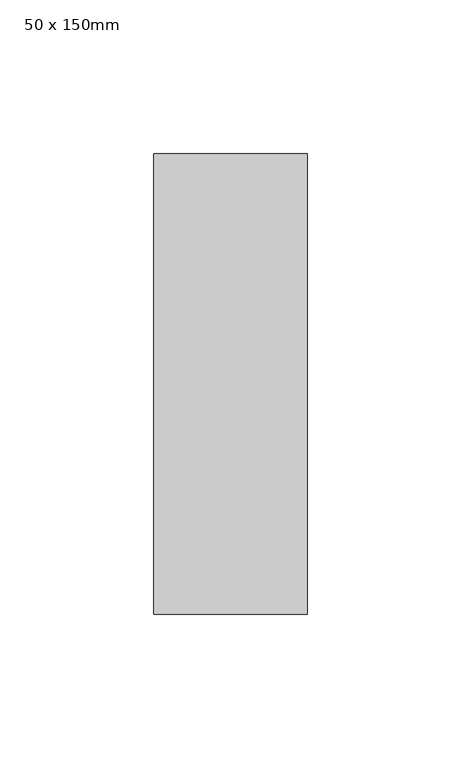
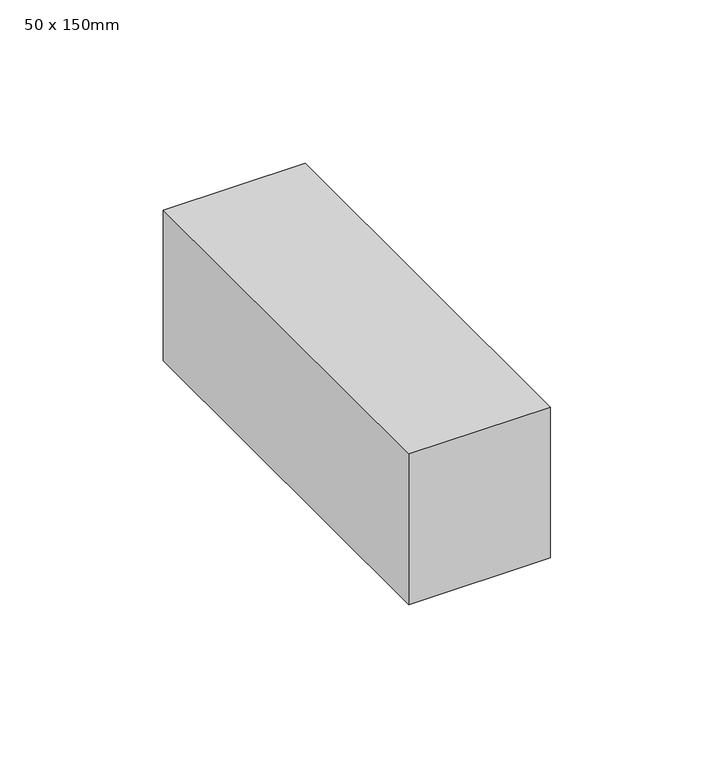
"""IFC4 building model written with IfcOpenShell, lengths in millimetres: member geometry, 50 x 150mm."""

from ifc_helpers import new_model, si_unit, frame, origin, place, context, project, spatial, polyline, outline, extrude, source, transform, mapped, element, save


def member_50_x_150mm_01954dc2(model_context):
    return source(origin(), model_context, "Body", "SweptSolid", [
        extrude(outline(polyline([(0.0, 75.0), (0.0, -75.0), (-50.0, -75.0), (-50.0, 75.0), (0.0, 75.0)])), frame((0.0, 0.0, -56.2232303), z_axis=(0.0, 0.0, 1.0), x_axis=(1.0, 0.0, 0.0)), (0.0, 0.0, 1.0), 56.2232303),
    ])


if __name__ == "__main__":
    model = new_model("IFC4")
    model_context = context("Model", 3, world=origin())
    ifc_project = project(units=[si_unit("LENGTHUNIT", "METRE", prefix="MILLI")], contexts=[model_context])
    site = spatial("IfcSite", under=ifc_project)
    building = spatial("IfcBuilding", under=site)
    placement = place(None, origin())
    member_50_x_150mm_shape = member_50_x_150mm_01954dc2(model_context)
    element("IfcMember", 1, ObjectType="50 x 150mm", at=placement, inside=building, context=model_context, shape_type="MappedRepresentation", body=[
        mapped(member_50_x_150mm_shape, transform((0.0, 0.0, 0.0), x_axis=(1.0, 0.0, 0.0), y_axis=(0.0, 1.0, 0.0), z_axis=(0.0, 0.0, 1.0))),
    ])
    save(model, "model.ifc")
